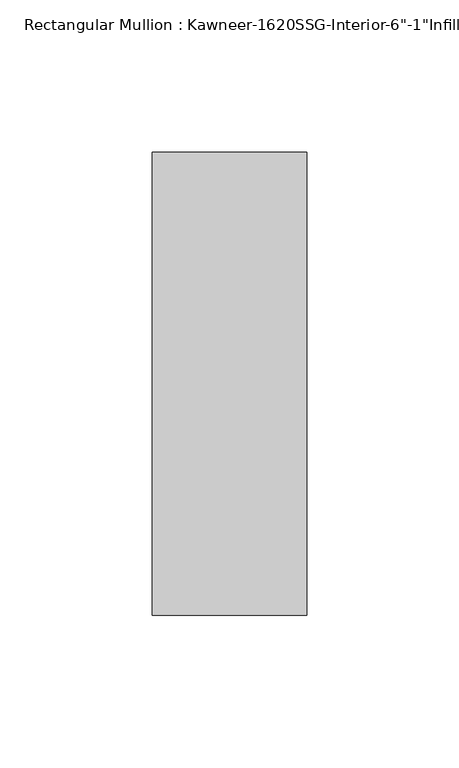
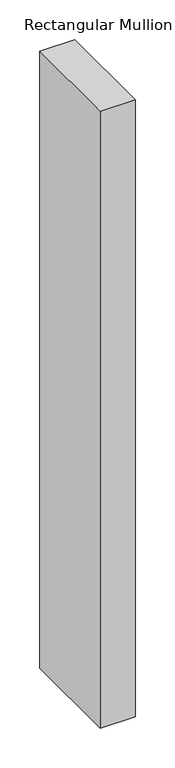
"""IFC4 building model written with IfcOpenShell, lengths in millimetres: member geometry."""

import ifcopenshell
import ifcopenshell.guid

model = None  # the IFC model being written
_history = None  # IfcOwnerHistory: only IFC2X3 demands one
_inside = {}  # id of a spatial element -> (the spatial element, [elements in it])
_under = {}  # id of a project, library or spatial element -> (it, [spatial elements below it])
_declared = {}  # id of a project -> (the project, [libraries it declares])
_typed = {}  # id of a type object -> (the type object, [elements of that type])
_made_of = {}  # id of a material, layer set ... -> (it, [elements and type objects made of it])


def new_model(schema):
    """Start an empty IFC model of exactly this schema.

    Asked for "IFC4X3", IfcOpenShell would pick the latest addendum, in which some entities
    have other attributes; the version numbers below select the first issue.
    IFC2X3 requires an IfcOwnerHistory on every rooted entity: one is made here for all.
    """
    global model, _history
    if schema == "IFC4X3":
        model = ifcopenshell.file(schema_version=(4, 3, 0, 0))
    else:
        model = ifcopenshell.file(schema=schema)
    _inside.clear()
    _under.clear()
    _declared.clear()
    _typed.clear()
    _made_of.clear()
    _history = None
    if model.schema == "IFC2X3":
        org = make("IfcOrganization", Name="unknown")
        user = make(
            "IfcPersonAndOrganization",
            ThePerson=make("IfcPerson", FamilyName="unknown"),
            TheOrganization=org,
        )
        app = make(
            "IfcApplication",
            ApplicationDeveloper=org,
            Version="unknown",
            ApplicationFullName="unknown",
            ApplicationIdentifier="unknown",
        )
        _history = make(
            "IfcOwnerHistory",
            OwningUser=user,
            OwningApplication=app,
            ChangeAction="ADDED",
            CreationDate=0,
        )
    return model


def make(cls, **values):
    """One entity of the class cls with the attributes given. An attribute that is None is left unset."""
    return model.create_entity(
        cls, **{name: value for name, value in values.items() if value is not None}
    )


def rooted(cls, **values):
    """An entity with a GlobalId (a new one), such as an element, a storey or a relation."""
    return make(cls, GlobalId=ifcopenshell.guid.new(), OwnerHistory=_history, **values)


def si_unit(unit_type, name, prefix=None):
    """IfcSIUnit, for example si_unit("LENGTHUNIT", "METRE", prefix="MILLI")."""
    return make("IfcSIUnit", UnitType=unit_type, Prefix=prefix, Name=name)


def assignment(units):
    """IfcUnitAssignment: the units of a project."""
    return None if units is None else make("IfcUnitAssignment", Units=units)


def point(xyz):
    """IfcCartesianPoint."""
    return None if xyz is None else make("IfcCartesianPoint", Coordinates=xyz)


def direction(xyz):
    """IfcDirection."""
    return None if xyz is None else make("IfcDirection", DirectionRatios=xyz)


def frame(location, z_axis=None, x_axis=None):
    """IfcAxis2Placement3D, a coordinate frame: its origin and axes. An axis left out is left unset."""
    return make(
        "IfcAxis2Placement3D",
        Location=point(location),
        Axis=direction(z_axis),
        RefDirection=direction(x_axis),
    )


def origin():
    """The frame at (0, 0, 0) with its axes left unset."""
    return frame((0.0, 0.0, 0.0))


def place(relative_to, where):
    """IfcLocalPlacement: puts the frame where relative to a parent placement (None: the world)."""
    return make(
        "IfcLocalPlacement", PlacementRelTo=relative_to, RelativePlacement=where
    )


def context(
    kind, dimensions, precision=None, world=None, true_north=None, identifier=None
):
    """IfcGeometricRepresentationContext, for example the 3D "Model" context."""
    return make(
        "IfcGeometricRepresentationContext",
        ContextIdentifier=identifier,
        ContextType=kind,
        CoordinateSpaceDimension=dimensions,
        Precision=precision,
        WorldCoordinateSystem=world,
        TrueNorth=true_north,
    )


def project(units=None, contexts=None):
    """IfcProject with its units and contexts."""
    return rooted(
        "IfcProject",
        Name="project",
        RepresentationContexts=contexts,
        UnitsInContext=assignment(units),
    )


def spatial(cls, under=None, at=None, **own):
    """A site, building, storey or space (cls), placed at a placement, below another one or the project."""
    s = rooted(cls, ObjectPlacement=at, **own)
    if under is not None:
        _under.setdefault(under.id(), (under, []))[1].append(s)
    return s


def polyline(points):
    """IfcPolyline through the points."""
    return make("IfcPolyline", Points=[point(p) for p in points])


def outline(outer, holes=None, kind="AREA"):
    """IfcArbitraryClosedProfileDef: a profile drawn as a closed curve; with holes, ...WithVoids."""
    if holes is None:
        return make("IfcArbitraryClosedProfileDef", ProfileType=kind, OuterCurve=outer)
    return make(
        "IfcArbitraryProfileDefWithVoids",
        ProfileType=kind,
        OuterCurve=outer,
        InnerCurves=holes,
    )


def extrude(swept, where, along, depth):
    """IfcExtrudedAreaSolid: the profile swept, set in the frame where, extruded along a direction by depth."""
    return make(
        "IfcExtrudedAreaSolid",
        SweptArea=swept,
        Position=where,
        ExtrudedDirection=direction(along),
        Depth=depth,
    )


def shape(context_of_items, identifier, shape_type, items):
    """IfcShapeRepresentation: the items that make up one representation, for example the "Body"."""
    return make(
        "IfcShapeRepresentation",
        ContextOfItems=context_of_items,
        RepresentationIdentifier=identifier,
        RepresentationType=shape_type,
        Items=items,
    )


def source(mapping_origin, context_of_items, identifier, shape_type, items):
    """IfcRepresentationMap: a shape defined once, which mapped items show again and again."""
    return make(
        "IfcRepresentationMap",
        MappingOrigin=mapping_origin,
        MappedRepresentation=shape(context_of_items, identifier, shape_type, items),
    )


def transform(
    local_origin,
    x_axis=None,
    y_axis=None,
    z_axis=None,
    scale=None,
    scale2=None,
    scale3=None,
    uniform=True,
):
    """IfcCartesianTransformationOperator3D, or its non-uniform kind. x_axis, y_axis, z_axis: its Axis1, 2, 3."""
    if uniform:
        return make(
            "IfcCartesianTransformationOperator3D",
            Axis1=direction(x_axis),
            Axis2=direction(y_axis),
            LocalOrigin=point(local_origin),
            Scale=scale,
            Axis3=direction(z_axis),
        )
    return make(
        "IfcCartesianTransformationOperator3DnonUniform",
        Axis1=direction(x_axis),
        Axis2=direction(y_axis),
        LocalOrigin=point(local_origin),
        Scale=scale,
        Axis3=direction(z_axis),
        Scale2=scale2,
        Scale3=scale3,
    )


def mapped(mapping_source, mapping_target):
    """IfcMappedItem: shows the shape of a source again, moved by a transform."""
    return make(
        "IfcMappedItem", MappingSource=mapping_source, MappingTarget=mapping_target
    )


def made_of(thing, what):
    """Note that an element or type object is made of a material, layer set ...; save() writes the relation."""
    if what is not None:
        _made_of.setdefault(what.id(), (what, []))[1].append(thing)
    return thing


def element(
    cls,
    number,
    at=None,
    inside=None,
    cuts=None,
    type_object=None,
    material=None,
    context=None,
    identifier="Body",
    shape_type=None,
    held_by="IfcProductDefinitionShape",
    body=None,
    shapes=None,
    **own,
):
    """One element of the class cls, such as IfcWall. Its Tag is "e" and its number.

    at: its placement. inside: the storey or other place that contains it. cuts: it is an
    opening in that element (IfcRelVoidsElement). A single representation is given by context,
    identifier, shape_type and body (its items); several are given by shapes. held_by: the class
    of the entity that holds the representations. save() writes the other relations.
    """
    e = rooted(cls, Tag="e%d" % number, ObjectPlacement=at, **own)
    if body is not None:
        shapes = [shape(context, identifier, shape_type, body)]
    if shapes is not None:
        e.Representation = make(held_by, Representations=shapes)
    if inside is not None:
        _inside.setdefault(inside.id(), (inside, []))[1].append(e)
    if cuts is not None:
        rooted(
            "IfcRelVoidsElement", RelatingBuildingElement=cuts, RelatedOpeningElement=e
        )
    if type_object is not None:
        _typed.setdefault(type_object.id(), (type_object, []))[1].append(e)
    return made_of(e, material)


def aggregate(whole, parts):
    """IfcRelAggregates: a whole, such as a stair, and the parts it consists of."""
    return rooted("IfcRelAggregates", RelatingObject=whole, RelatedObjects=parts)


def save(model, path):
    """Write the relations noted so far, then the file.

    IfcRelAggregates (storeys below a building ...), IfcRelContainedInSpatialStructure (elements
    in a storey), IfcRelDefinesByType, IfcRelAssociatesMaterial and IfcRelDeclares: one each for
    every whole, place, type object, material and project.
    """
    for whole, parts in _under.values():
        aggregate(whole, parts)
    for where, things in _inside.values():
        rooted(
            "IfcRelContainedInSpatialStructure",
            RelatedElements=things,
            RelatingStructure=where,
        )
    for kind, things in _typed.values():
        rooted("IfcRelDefinesByType", RelatedObjects=things, RelatingType=kind)
    for what, things in _made_of.values():
        rooted("IfcRelAssociatesMaterial", RelatedObjects=things, RelatingMaterial=what)
    for by, libraries in _declared.values():
        rooted("IfcRelDeclares", RelatingContext=by, RelatedDefinitions=libraries)
    model.write(path)


def member_e614249d(model_context):
    return source(origin(), model_context, "Body", "SweptSolid", [
        extrude(outline(polyline([(25.4, -114.3), (-25.4, -114.3), (-25.4, 38.1), (25.4, 38.1), (25.4, -114.3)])), frame((0.0, 0.0, -949.325), z_axis=(0.0, 0.0, 1.0), x_axis=(1.0, 0.0, 0.0)), (0.0, 0.0, 1.0), 949.325),
    ])


if __name__ == "__main__":
    model = new_model("IFC4")
    model_context = context("Model", 3, world=origin())
    ifc_project = project(units=[si_unit("LENGTHUNIT", "METRE", prefix="MILLI")], contexts=[model_context])
    site = spatial("IfcSite", under=ifc_project)
    building = spatial("IfcBuilding", under=site)
    placement = place(None, origin())
    member_shape = member_e614249d(model_context)
    element("IfcMember", 1, ObjectType="Rectangular Mullion : Kawneer-1620SSG-Interior-6\"-1\"Infill", at=placement, inside=building, context=model_context, shape_type="MappedRepresentation", body=[
        mapped(member_shape, transform((0.0, 0.0, 0.0), x_axis=(1.0, 0.0, 0.0), y_axis=(0.0, 1.0, 0.0), z_axis=(0.0, 0.0, 1.0))),
    ])
    save(model, "model.ifc")
